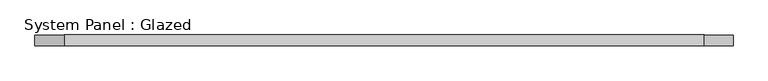
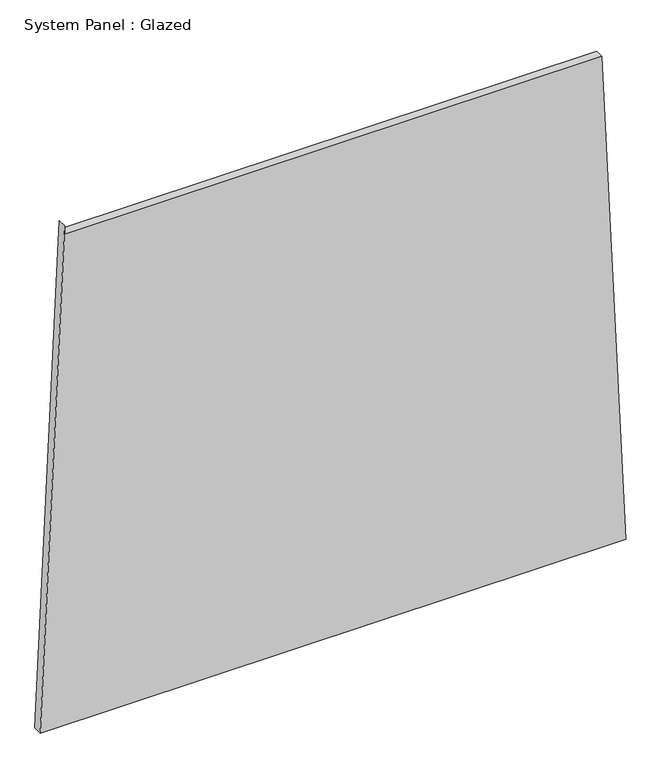
"""IFC4 building model written with IfcOpenShell, lengths in millimetres: plate geometry, System Panel : Glazed."""

from ifc_helpers import new_model, si_unit, frame, origin, place, context, project, spatial, polyline, outline, extrude, source, transform, mapped, element, save


def system_panel_glazed_c82ce30b(model_context):
    return source(origin(), model_context, "Body", "SweptSolid", [
        extrude(outline(polyline([(0.0, -817.8069068), (0.0, 817.8069068), (1448.3834567, 750.5084379), (1448.38342, -749.3420002), (1473.38342, -749.3420008), (0.0, -817.8069068)])), frame((0.0, -49.5, 0.0), z_axis=(0.0, 1.0, 0.0), x_axis=(0.0, 0.0, 1.0)), (0.0, 0.0, 1.0), 25.0),
    ])


if __name__ == "__main__":
    model = new_model("IFC4")
    model_context = context("Model", 3, world=origin())
    ifc_project = project(units=[si_unit("LENGTHUNIT", "METRE", prefix="MILLI")], contexts=[model_context])
    site = spatial("IfcSite", under=ifc_project)
    building = spatial("IfcBuilding", under=site)
    placement = place(None, origin())
    system_panel_glazed_shape = system_panel_glazed_c82ce30b(model_context)
    element("IfcPlate", 1, ObjectType="System Panel : Glazed", at=placement, inside=building, context=model_context, shape_type="MappedRepresentation", body=[
        mapped(system_panel_glazed_shape, transform((0.0, 0.0, 0.0), x_axis=(1.0, 0.0, 0.0), y_axis=(0.0, 1.0, 0.0), z_axis=(0.0, 0.0, 1.0))),
    ])
    save(model, "model.ifc")
